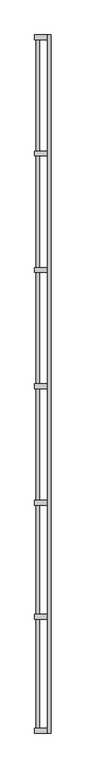
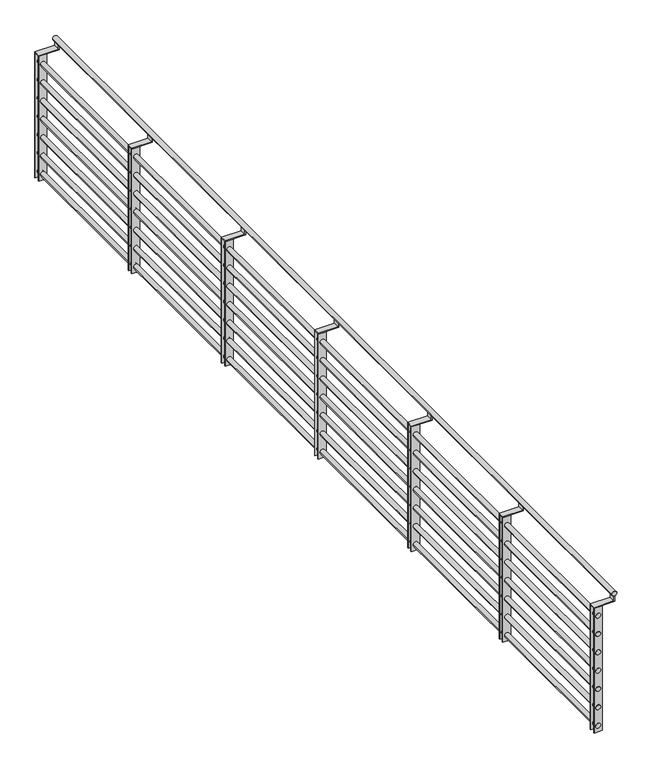
"""IFC4 building model written with IfcOpenShell, lengths in millimetres: railing geometry."""

from ifc_helpers import new_model, si_unit, point, frame, frame_2d, origin, origin_with_axes, place, context, project, spatial, polyline, circle_curve, trimmed, segment, composite_curve, outline, extrude, source, transform, mapped, element, save


def railing_2a3d5884(model_context):
    return source(origin(), model_context, "Body", "SweptSolid", [
        extrude(outline(composite_curve([segment(trimmed(circle_curve(frame_2d((870.0, -11909.0493597)), 15.0), [point((870.0, -11894.0493597))], [point((870.0, -11924.0493597))], False, "CARTESIAN"), True, "CONTINUOUS"), segment(trimmed(circle_curve(frame_2d((870.0, -11909.0493597)), 15.0), [point((870.0, -11924.0493597))], [point((870.0, -11894.0493597))], False, "CARTESIAN"), True, "CONTINUOUS")], self_intersect=False)), frame((0.0, -25768.5136765, 0.0), z_axis=(0.0, 1.0, 0.0), x_axis=(0.0, 0.0, 1.0)), (0.0, 0.0, 1.0), 6000.0),
        extrude(outline(composite_curve([segment(trimmed(circle_curve(frame_2d((760.0, -12009.0493597)), 15.0), [point((760.0, -11994.0493597))], [point((760.0, -12024.0493597))], False, "CARTESIAN"), True, "CONTINUOUS"), segment(trimmed(circle_curve(frame_2d((760.0, -12009.0493597)), 15.0), [point((760.0, -12024.0493597))], [point((760.0, -11994.0493597))], False, "CARTESIAN"), True, "CONTINUOUS")], self_intersect=False)), frame((0.0, -25768.5136765, 0.0), z_axis=(0.0, 1.0, 0.0), x_axis=(0.0, 0.0, 1.0)), (0.0, 0.0, 1.0), 6000.0),
        extrude(outline(composite_curve([segment(trimmed(circle_curve(frame_2d((640.0, -12009.0493597)), 15.0), [point((640.0, -11994.0493597))], [point((640.0, -12024.0493597))], False, "CARTESIAN"), True, "CONTINUOUS"), segment(trimmed(circle_curve(frame_2d((640.0, -12009.0493597)), 15.0), [point((640.0, -12024.0493597))], [point((640.0, -11994.0493597))], False, "CARTESIAN"), True, "CONTINUOUS")], self_intersect=False)), frame((0.0, -25768.5136765, 0.0), z_axis=(0.0, 1.0, 0.0), x_axis=(0.0, 0.0, 1.0)), (0.0, 0.0, 1.0), 6000.0),
        extrude(outline(composite_curve([segment(trimmed(circle_curve(frame_2d((520.0, -12009.0493597)), 15.0), [point((520.0, -11994.0493597))], [point((520.0, -12024.0493597))], False, "CARTESIAN"), True, "CONTINUOUS"), segment(trimmed(circle_curve(frame_2d((520.0, -12009.0493597)), 15.0), [point((520.0, -12024.0493597))], [point((520.0, -11994.0493597))], False, "CARTESIAN"), True, "CONTINUOUS")], self_intersect=False)), frame((0.0, -25768.5136765, 0.0), z_axis=(0.0, 1.0, 0.0), x_axis=(0.0, 0.0, 1.0)), (0.0, 0.0, 1.0), 6000.0),
        extrude(outline(composite_curve([segment(trimmed(circle_curve(frame_2d((400.0, -12009.0493597)), 15.0), [point((400.0, -11994.0493597))], [point((400.0, -12024.0493597))], False, "CARTESIAN"), True, "CONTINUOUS"), segment(trimmed(circle_curve(frame_2d((400.0, -12009.0493597)), 15.0), [point((400.0, -12024.0493597))], [point((400.0, -11994.0493597))], False, "CARTESIAN"), True, "CONTINUOUS")], self_intersect=False)), frame((0.0, -25768.5136765, 0.0), z_axis=(0.0, 1.0, 0.0), x_axis=(0.0, 0.0, 1.0)), (0.0, 0.0, 1.0), 6000.0),
        extrude(outline(composite_curve([segment(trimmed(circle_curve(frame_2d((280.0, -12009.0493597)), 15.0), [point((280.0, -11994.0493597))], [point((280.0, -12024.0493597))], False, "CARTESIAN"), True, "CONTINUOUS"), segment(trimmed(circle_curve(frame_2d((280.0, -12009.0493597)), 15.0), [point((280.0, -12024.0493597))], [point((280.0, -11994.0493597))], False, "CARTESIAN"), True, "CONTINUOUS")], self_intersect=False)), frame((0.0, -25768.5136765, 0.0), z_axis=(0.0, 1.0, 0.0), x_axis=(0.0, 0.0, 1.0)), (0.0, 0.0, 1.0), 6000.0),
        extrude(outline(composite_curve([segment(trimmed(circle_curve(frame_2d((160.0, -12009.0493597)), 15.0), [point((160.0, -11994.0493597))], [point((160.0, -12024.0493597))], False, "CARTESIAN"), True, "CONTINUOUS"), segment(trimmed(circle_curve(frame_2d((160.0, -12009.0493597)), 15.0), [point((160.0, -12024.0493597))], [point((160.0, -11994.0493597))], False, "CARTESIAN"), True, "CONTINUOUS")], self_intersect=False)), frame((0.0, -25768.5136765, 0.0), z_axis=(0.0, 1.0, 0.0), x_axis=(0.0, 0.0, 1.0)), (0.0, 0.0, 1.0), 6000.0),
        extrude(outline(composite_curve([segment(trimmed(circle_curve(frame_2d((40.0, -12009.0493597)), 15.0), [point((40.0, -11994.0493597))], [point((40.0, -12024.0493597))], False, "CARTESIAN"), True, "CONTINUOUS"), segment(trimmed(circle_curve(frame_2d((40.0, -12009.0493597)), 15.0), [point((40.0, -12024.0493597))], [point((40.0, -11994.0493597))], False, "CARTESIAN"), True, "CONTINUOUS")], self_intersect=False)), frame((0.0, -25768.5136765, 0.0), z_axis=(0.0, 1.0, 0.0), x_axis=(0.0, 0.0, 1.0)), (0.0, 0.0, 1.0), 6000.0),
        extrude(outline(polyline([(817.215293, -11906.5493597), (870.0, -11906.5493597), (870.0, -11911.5493597), (822.215293, -11911.5493597), (822.215293, -12034.0493597), (817.215293, -12034.0493597), (817.215293, -11906.5493597)])), frame((0.0, -19808.5136765, 0.0), z_axis=(0.0, 1.0, 0.0), x_axis=(0.0, 0.0, 1.0)), (0.0, 0.0, 1.0), 40.0),
        extrude(outline(polyline([(-12034.0493597, -19803.5136765), (-11984.0493597, -19803.5136765), (-11984.0493597, -19808.5136765), (-12034.0493597, -19808.5136765), (-12034.0493597, -19803.5136765)])), origin_with_axes(), (0.0, 0.0, 1.0), 817.215293),
        extrude(outline(polyline([(-11984.0493597, -19773.5136765), (-12034.0493597, -19773.5136765), (-12034.0493597, -19768.5136765), (-11984.0493597, -19768.5136765), (-11984.0493597, -19773.5136765)])), origin_with_axes(), (0.0, 0.0, 1.0), 817.215293),
        extrude(outline(polyline([(817.215293, -11906.5493597), (870.0, -11906.5493597), (870.0, -11911.5493597), (822.215293, -11911.5493597), (822.215293, -12034.0493597), (817.215293, -12034.0493597), (817.215293, -11906.5493597)])), frame((0.0, -20808.5136765, 0.0), z_axis=(0.0, 1.0, 0.0), x_axis=(0.0, 0.0, 1.0)), (0.0, 0.0, 1.0), 40.0),
        extrude(outline(polyline([(-12034.0493597, -20803.5136765), (-11984.0493597, -20803.5136765), (-11984.0493597, -20808.5136765), (-12034.0493597, -20808.5136765), (-12034.0493597, -20803.5136765)])), origin_with_axes(), (0.0, 0.0, 1.0), 817.215293),
        extrude(outline(polyline([(-11984.0493597, -20773.5136765), (-12034.0493597, -20773.5136765), (-12034.0493597, -20768.5136765), (-11984.0493597, -20768.5136765), (-11984.0493597, -20773.5136765)])), origin_with_axes(), (0.0, 0.0, 1.0), 817.215293),
        extrude(outline(polyline([(817.215293, -11906.5493597), (870.0, -11906.5493597), (870.0, -11911.5493597), (822.215293, -11911.5493597), (822.215293, -12034.0493597), (817.215293, -12034.0493597), (817.215293, -11906.5493597)])), frame((0.0, -21808.5136765, 0.0), z_axis=(0.0, 1.0, 0.0), x_axis=(0.0, 0.0, 1.0)), (0.0, 0.0, 1.0), 40.0),
        extrude(outline(polyline([(-12034.0493597, -21803.5136765), (-11984.0493597, -21803.5136765), (-11984.0493597, -21808.5136765), (-12034.0493597, -21808.5136765), (-12034.0493597, -21803.5136765)])), origin_with_axes(), (0.0, 0.0, 1.0), 817.215293),
        extrude(outline(polyline([(-11984.0493597, -21773.5136765), (-12034.0493597, -21773.5136765), (-12034.0493597, -21768.5136765), (-11984.0493597, -21768.5136765), (-11984.0493597, -21773.5136765)])), origin_with_axes(), (0.0, 0.0, 1.0), 817.215293),
        extrude(outline(polyline([(817.215293, -11906.5493597), (870.0, -11906.5493597), (870.0, -11911.5493597), (822.215293, -11911.5493597), (822.215293, -12034.0493597), (817.215293, -12034.0493597), (817.215293, -11906.5493597)])), frame((0.0, -22808.5136765, 0.0), z_axis=(0.0, 1.0, 0.0), x_axis=(0.0, 0.0, 1.0)), (0.0, 0.0, 1.0), 40.0),
        extrude(outline(polyline([(-12034.0493597, -22803.5136765), (-11984.0493597, -22803.5136765), (-11984.0493597, -22808.5136765), (-12034.0493597, -22808.5136765), (-12034.0493597, -22803.5136765)])), origin_with_axes(), (0.0, 0.0, 1.0), 817.215293),
        extrude(outline(polyline([(-11984.0493597, -22773.5136765), (-12034.0493597, -22773.5136765), (-12034.0493597, -22768.5136765), (-11984.0493597, -22768.5136765), (-11984.0493597, -22773.5136765)])), origin_with_axes(), (0.0, 0.0, 1.0), 817.215293),
        extrude(outline(polyline([(817.215293, -11906.5493597), (870.0, -11906.5493597), (870.0, -11911.5493597), (822.215293, -11911.5493597), (822.215293, -12034.0493597), (817.215293, -12034.0493597), (817.215293, -11906.5493597)])), frame((0.0, -23808.5136765, 0.0), z_axis=(0.0, 1.0, 0.0), x_axis=(0.0, 0.0, 1.0)), (0.0, 0.0, 1.0), 40.0),
        extrude(outline(polyline([(-12034.0493597, -23803.5136765), (-11984.0493597, -23803.5136765), (-11984.0493597, -23808.5136765), (-12034.0493597, -23808.5136765), (-12034.0493597, -23803.5136765)])), origin_with_axes(), (0.0, 0.0, 1.0), 817.215293),
        extrude(outline(polyline([(-11984.0493597, -23773.5136765), (-12034.0493597, -23773.5136765), (-12034.0493597, -23768.5136765), (-11984.0493597, -23768.5136765), (-11984.0493597, -23773.5136765)])), origin_with_axes(), (0.0, 0.0, 1.0), 817.215293),
        extrude(outline(polyline([(817.215293, -11906.5493597), (870.0, -11906.5493597), (870.0, -11911.5493597), (822.215293, -11911.5493597), (822.215293, -12034.0493597), (817.215293, -12034.0493597), (817.215293, -11906.5493597)])), frame((0.0, -24788.5136765, 0.0), z_axis=(0.0, 1.0, 0.0), x_axis=(0.0, 0.0, 1.0)), (0.0, 0.0, 1.0), 40.0),
        extrude(outline(polyline([(-12034.0493597, -24783.5136765), (-11984.0493597, -24783.5136765), (-11984.0493597, -24788.5136765), (-12034.0493597, -24788.5136765), (-12034.0493597, -24783.5136765)])), origin_with_axes(), (0.0, 0.0, 1.0), 817.215293),
        extrude(outline(polyline([(-11984.0493597, -24753.5136765), (-12034.0493597, -24753.5136765), (-12034.0493597, -24748.5136765), (-11984.0493597, -24748.5136765), (-11984.0493597, -24753.5136765)])), origin_with_axes(), (0.0, 0.0, 1.0), 817.215293),
        extrude(outline(polyline([(817.215293, -11906.5493597), (870.0, -11906.5493597), (870.0, -11911.5493597), (822.215293, -11911.5493597), (822.215293, -12034.0493597), (817.215293, -12034.0493597), (817.215293, -11906.5493597)])), frame((0.0, -25768.5136765, 0.0), z_axis=(0.0, 1.0, 0.0), x_axis=(0.0, 0.0, 1.0)), (0.0, 0.0, 1.0), 40.0),
        extrude(outline(polyline([(-12034.0493597, -25763.5136765), (-11984.0493597, -25763.5136765), (-11984.0493597, -25768.5136765), (-12034.0493597, -25768.5136765), (-12034.0493597, -25763.5136765)])), origin_with_axes(), (0.0, 0.0, 1.0), 817.215293),
        extrude(outline(polyline([(-11984.0493597, -25733.5136765), (-12034.0493597, -25733.5136765), (-12034.0493597, -25728.5136765), (-11984.0493597, -25728.5136765), (-11984.0493597, -25733.5136765)])), origin_with_axes(), (0.0, 0.0, 1.0), 817.215293),
    ])


if __name__ == "__main__":
    model = new_model("IFC4")
    model_context = context("Model", 3, world=origin())
    ifc_project = project(units=[si_unit("LENGTHUNIT", "METRE", prefix="MILLI")], contexts=[model_context])
    site = spatial("IfcSite", under=ifc_project)
    building = spatial("IfcBuilding", under=site)
    placement = place(None, origin())
    railing_shape = railing_2a3d5884(model_context)
    element("IfcRailing", 1, at=placement, inside=building, context=model_context, shape_type="MappedRepresentation", body=[
        mapped(railing_shape, transform((0.0, 0.0, 0.0), x_axis=(1.0, 0.0, 0.0), y_axis=(0.0, 1.0, 0.0), z_axis=(0.0, 0.0, 1.0))),
    ])
    save(model, "model.ifc")
